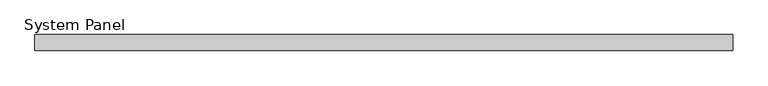
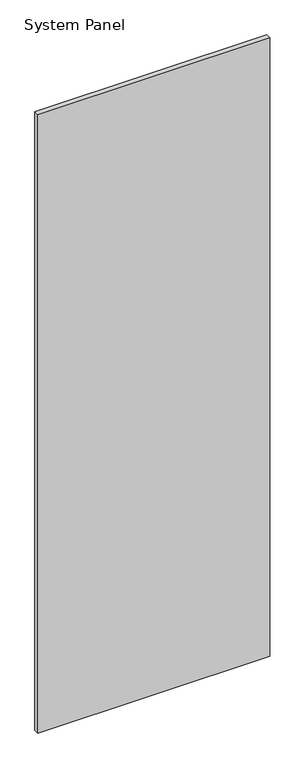
"""IFC4 building model written with IfcOpenShell, lengths in millimetres: plate geometry, System Panel."""

from ifc_helpers import new_model, si_unit, origin, origin_with_axes, place, context, project, spatial, polyline, outline, extrude, source, transform, mapped, element, save


def system_panel_7b2c4c48(model_context):
    return source(origin(), model_context, "Body", "SweptSolid", [
        extrude(outline(polyline([(558.8, -12.7), (-558.8, -12.7), (-558.8, 12.7), (558.8, 12.7), (558.8, -12.7)])), origin_with_axes(), (0.0, 0.0, 1.0), 3149.6),
    ])


if __name__ == "__main__":
    model = new_model("IFC4")
    model_context = context("Model", 3, world=origin())
    ifc_project = project(units=[si_unit("LENGTHUNIT", "METRE", prefix="MILLI")], contexts=[model_context])
    site = spatial("IfcSite", under=ifc_project)
    building = spatial("IfcBuilding", under=site)
    placement = place(None, origin())
    system_panel_shape = system_panel_7b2c4c48(model_context)
    element("IfcPlate", 1, ObjectType="System Panel", at=placement, inside=building, context=model_context, shape_type="MappedRepresentation", body=[
        mapped(system_panel_shape, transform((0.0, 0.0, 0.0), x_axis=(1.0, 0.0, 0.0), y_axis=(0.0, 1.0, 0.0), z_axis=(0.0, 0.0, 1.0))),
    ])
    save(model, "model.ifc")
